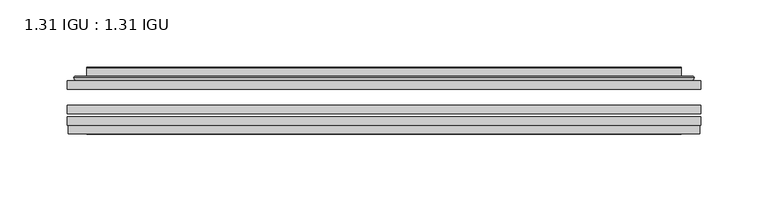
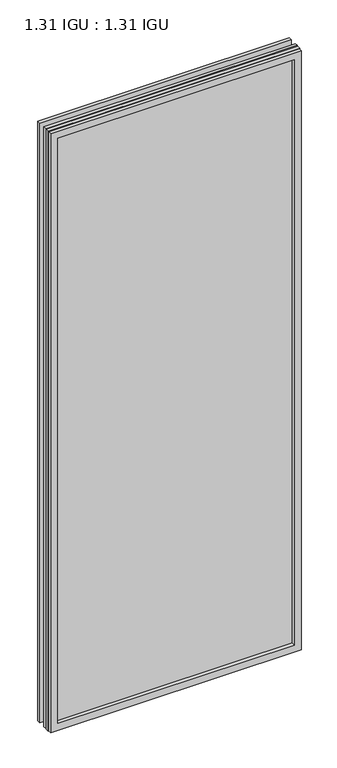
"""IFC4 building model written with IfcOpenShell, lengths in millimetres: plate geometry, 1.31 IGU : 1.31 IGU."""

from ifc_helpers import new_model, si_unit, frame, origin, place, context, project, spatial, polyline, ellipse_curve, outline, extrude, faceted_brep, source, transform, mapped, element, save
from ifc_brep_helpers import plane_surface, cylinder_surface, advanced_brep


def plate_1_31_igu_1_31_igu_ce48ff64(model_context):
    return source(origin(), model_context, "Body", "SolidModel", [
        extrude(outline(polyline([(234.964175, -63.59525), (234.964175, -69.94525), (-234.95, -69.94525), (-234.95, -63.59525), (234.964175, -63.59525)])), frame((0.0, 0.0, -14.2875), z_axis=(0.0, 0.0, 1.0), x_axis=(1.0, 0.0, 0.0)), (0.0, 0.0, 1.0), 1184.2787979),
        extrude(outline(polyline([(-234.95, -78.58125), (-234.95, -72.230745), (234.964175, -72.230745), (234.964175, -78.58125), (-234.95, -78.58125)])), frame((0.0, 0.0, -14.2875), z_axis=(0.0, 0.0, 1.0), x_axis=(1.0, 0.0, 0.0)), (0.0, 0.0, 1.0), 1184.2787979),
        extrude(outline(polyline([(234.964175, -45.25645), (234.964175, -51.60645), (-234.95, -51.60645), (-234.95, -45.25645), (234.964175, -45.25645)])), frame((0.0, 0.0, -14.2875), z_axis=(0.0, 0.0, 1.0), x_axis=(1.0, 0.0, 0.0)), (0.0, 0.0, 1.0), 1184.2787979),
        faceted_brep([(-234.2498142, -84.93125, 1169.2873142), (-234.2498142, -78.58125, 1169.2873142), (-234.2498142, -78.58125, -13.5873142), (-234.2498142, -84.93125, -13.5873142), (234.2498142, -78.58125, -13.5873142), (234.2498142, -84.93125, -13.5873142), (234.2498142, -78.58125, 1169.2873142), (234.2498142, -84.93125, 1169.2873142), (-219.7647559, -78.58125, 0.8977441), (219.7647559, -78.58125, 0.8977441), (219.7647559, -78.58125, 1154.8022559), (-219.7647559, -78.58125, 1154.8022559), (-220.6571902, -84.93125, 1155.6946902), (220.6571902, -84.93125, 1155.6946902), (220.6571902, -84.93125, 0.0053098), (-220.6571902, -84.93125, 0.0053098)], [[[0, 1, 2, 3]], [[3, 2, 4, 5]], [[5, 4, 6, 7]], [[1, 6, 4, 2], [8, 9, 10, 11]], [[7, 6, 1, 0]], [[3, 5, 7, 0], [12, 13, 14, 15]], [[11, 12, 15, 8]], [[8, 15, 14, 9]], [[9, 14, 13, 10]], [[10, 13, 12, 11]]]),
        advanced_brep(
        [(-227.708719, -45.25645, 1162.746219), (-230.0629244, -43.2667833, 1165.1004244), (-230.0629244, -43.2667833, -9.4004244), (-227.708719, -45.25645, -7.046219), (-218.6343939, -41.416413, 1153.6718939), (-213.6995621, -45.25645, 1148.7370621), (-213.6995621, -45.25645, 6.9629379), (-218.6343939, -41.416413, 2.0281061), (-219.6664217, -36.0191819, 1154.7039217), (-219.6664217, -36.0191819, 0.9960783), (-220.6570784, -35.6202069, 1155.6945784), (-220.6570784, -35.6202069, 0.0054216), (-220.6570784, -42.08145, 1155.6945784), (-220.6570784, -42.08145, 0.0054216), (-229.0611349, -42.08145, 1164.0986349), (-229.0611349, -42.08145, -8.3986349), (230.0629244, -43.2667833, -9.4004244), (227.708719, -45.25645, -7.046219), (213.6995621, -45.25645, 6.9629379), (218.6343939, -41.416413, 2.0281061), (219.6664217, -36.0191819, 0.9960783), (220.6570784, -35.6202069, 0.0054216), (220.6570784, -42.08145, 0.0054216), (229.0611349, -42.08145, -8.3986349), (230.0629244, -43.2667833, 1165.1004244), (227.708719, -45.25645, 1162.746219), (213.6995621, -45.25645, 1148.7370621), (218.6343939, -41.416413, 1153.6718939), (219.6664217, -36.0191819, 1154.7039217), (220.6570784, -35.6202069, 1155.6945784), (220.6570784, -42.08145, 1155.6945784), (229.0611349, -42.08145, 1164.0986349)],
        [
            (0, 1, ellipse_curve(frame((-227.708719, -42.86885, 1162.746219), z_axis=(-0.7071067811865475, 0.0, -0.7071067811865475), x_axis=(-0.7071067811865474, 0.0, 0.7071067811865476)), 3.3765763, 2.3876)),
            (1, 2),
            (2, 3, ellipse_curve(frame((-227.708719, -42.86885, -7.046219), z_axis=(-0.7071067811865475, 0.0, 0.7071067811865475), x_axis=(0.7071067811865474, 0.0, 0.7071067811865476)), 3.3765763, 2.3876)),
            (3, 0),
            (4, 5),
            (5, 6),
            (6, 7),
            (7, 4),
            (8, 4),
            (7, 9),
            (9, 8),
            (10, 8, ellipse_curve(frame((-220.2901219, -36.1384423, 1155.3276219), z_axis=(-0.7071067811865475, 0.0, -0.7071067811865475), x_axis=(-0.7071067811865474, 0.0, 0.7071067811865476)), 0.8980256, 0.635)),
            (9, 11, ellipse_curve(frame((-220.2901219, -36.1384423, 0.3723781), z_axis=(-0.7071067811865475, 0.0, 0.7071067811865475), x_axis=(0.7071067811865474, 0.0, 0.7071067811865476)), 0.8980256, 0.635)),
            (11, 10),
            (12, 10),
            (11, 13),
            (13, 12),
            (1, 14, ellipse_curve(frame((-229.0611349, -43.09745, 1164.0986349), z_axis=(-0.7071067811865475, 0.0, -0.7071067811865475), x_axis=(-0.7071067811865474, 0.0, 0.7071067811865476)), 1.436841, 1.016)),
            (14, 15),
            (15, 2, ellipse_curve(frame((-229.0611349, -43.09745, -8.3986349), z_axis=(-0.7071067811865475, 0.0, 0.7071067811865475), x_axis=(0.7071067811865474, 0.0, 0.7071067811865476)), 1.436841, 1.016)),
            (2, 16),
            (16, 17, ellipse_curve(frame((227.708719, -42.86885, -7.046219), z_axis=(-0.7071067811865475, 0.0, -0.7071067811865475), x_axis=(-0.7071067811865476, 0.0, 0.7071067811865474)), 3.3765763, 2.3876)),
            (17, 3),
            (6, 18),
            (18, 19),
            (19, 7),
            (19, 20),
            (20, 9),
            (20, 21, ellipse_curve(frame((220.2901219, -36.1384423, 0.3723781), z_axis=(-0.7071067811865475, 0.0, -0.7071067811865475), x_axis=(-0.7071067811865476, 0.0, 0.7071067811865474)), 0.8980256, 0.635)),
            (21, 11),
            (21, 22),
            (22, 13),
            (15, 23),
            (23, 16, ellipse_curve(frame((229.0611349, -43.09745, -8.3986349), z_axis=(-0.7071067811865475, 0.0, -0.7071067811865475), x_axis=(-0.7071067811865476, 0.0, 0.7071067811865474)), 1.436841, 1.016)),
            (16, 24),
            (24, 25, ellipse_curve(frame((227.708719, -42.86885, 1162.746219), z_axis=(0.7071067811865475, 0.0, -0.7071067811865475), x_axis=(-0.7071067811865474, 0.0, -0.7071067811865476)), 3.3765763, 2.3876)),
            (25, 17),
            (18, 26),
            (26, 27),
            (27, 19),
            (27, 28),
            (28, 20),
            (28, 29, ellipse_curve(frame((220.2901219, -36.1384423, 1155.3276219), z_axis=(0.7071067811865475, 0.0, -0.7071067811865475), x_axis=(-0.7071067811865474, 0.0, -0.7071067811865476)), 0.8980256, 0.635)),
            (29, 21),
            (29, 30),
            (30, 22),
            (23, 31),
            (31, 24, ellipse_curve(frame((229.0611349, -43.09745, 1164.0986349), z_axis=(0.7071067811865475, 0.0, -0.7071067811865475), x_axis=(-0.7071067811865474, 0.0, -0.7071067811865476)), 1.436841, 1.016)),
            (24, 1),
            (0, 25),
            (5, 26),
            (4, 27),
            (8, 28),
            (10, 29),
            (12, 30),
            (14, 31),
        ],
        [
            cylinder_surface(frame((-227.708719, -42.86885, 1187.45), z_axis=(0.0, 0.0, 1.0), x_axis=(-1.0, 0.0, 0.0)), 2.3876),
            plane_surface(frame((-213.6995621, -45.25645, 1148.7370621), z_axis=(0.6141233906514794, 0.7892100234124821, 0.0), x_axis=(0.0, 0.0, -1.0))),
            plane_surface(frame((-218.6343939, -41.416413, 1153.6718939), z_axis=(0.9822050625507729, 0.18781164793386076, 0.0), x_axis=(0.0, 0.0, -1.0))),
            cylinder_surface(frame((-220.2901219, -36.1384423, 1187.45), z_axis=(0.0, 0.0, 1.0), x_axis=(-1.0, 0.0, 0.0)), 0.635),
            plane_surface(frame((-220.6570784, -35.6202069, 1155.6945784), z_axis=(-1.0, 0.0, 0.0), x_axis=(0.0, 0.0, -1.0))),
            cylinder_surface(frame((-229.0611349, -43.09745, 1187.45), z_axis=(0.0, 0.0, 1.0), x_axis=(-1.0, 0.0, 0.0)), 1.016),
            cylinder_surface(frame((-252.4125, -42.86885, -7.046219), z_axis=(-1.0, 0.0, 0.0), x_axis=(0.0, 0.0, -1.0)), 2.3876),
            plane_surface(frame((-213.6995621, -45.25645, 6.9629379), z_axis=(0.0, 0.7892100234124841, 0.6141233906514768), x_axis=(1.0, 0.0, 0.0))),
            plane_surface(frame((-218.6343939, -41.416413, 2.0281061), z_axis=(0.0, 0.18781164793386393, 0.9822050625507723), x_axis=(1.0, 0.0, 0.0))),
            cylinder_surface(frame((-252.4125, -36.1384423, 0.3723781), z_axis=(-1.0, 0.0, 0.0), x_axis=(0.0, 0.0, -1.0)), 0.635),
            plane_surface(frame((-220.6570784, -35.6202069, 0.0054216), z_axis=(0.0, 0.0, -1.0), x_axis=(1.0, 0.0, 0.0))),
            cylinder_surface(frame((-252.4125, -43.09745, -8.3986349), z_axis=(-1.0, 0.0, 0.0), x_axis=(0.0, 0.0, -1.0)), 1.016),
            cylinder_surface(frame((227.708719, -42.86885, -31.75), z_axis=(0.0, 0.0, -1.0), x_axis=(1.0, 0.0, 0.0)), 2.3876),
            plane_surface(frame((213.6995621, -45.25645, 6.9629379), z_axis=(-0.6141233906514743, 0.7892100234124861, 0.0), x_axis=(0.0, 0.0, 1.0))),
            plane_surface(frame((218.6343939, -41.416413, 2.0281061), z_axis=(-0.9822050625507718, 0.1878116479338671, 0.0), x_axis=(0.0, 0.0, 1.0))),
            cylinder_surface(frame((220.2901219, -36.1384423, -31.75), z_axis=(0.0, 0.0, -1.0), x_axis=(1.0, 0.0, 0.0)), 0.635),
            plane_surface(frame((220.6570784, -35.6202069, 0.0054216), z_axis=(1.0, 0.0, 0.0), x_axis=(0.0, 0.0, 1.0))),
            cylinder_surface(frame((229.0611349, -43.09745, -31.75), z_axis=(0.0, 0.0, -1.0), x_axis=(1.0, 0.0, 0.0)), 1.016),
            cylinder_surface(frame((252.4125, -42.86885, 1162.746219), z_axis=(1.0, 0.0, 0.0), x_axis=(0.0, 0.0, 1.0)), 2.3876),
            plane_surface(frame((227.708719, -45.25645, 1162.746219), z_axis=(0.0, -1.0, 0.0), x_axis=(-1.0, 0.0, 0.0))),
            plane_surface(frame((213.6995621, -45.25645, 1148.7370621), z_axis=(0.0, 0.7892100234124841, -0.6141233906514768), x_axis=(-1.0, 0.0, 0.0))),
            plane_surface(frame((218.6343939, -41.416413, 1153.6718939), z_axis=(0.0, 0.18781164793386393, -0.9822050625507723), x_axis=(-1.0, 0.0, 0.0))),
            cylinder_surface(frame((252.4125, -36.1384423, 1155.3276219), z_axis=(1.0, 0.0, 0.0), x_axis=(0.0, 0.0, 1.0)), 0.635),
            plane_surface(frame((220.6570784, -35.6202069, 1155.6945784), z_axis=(0.0, 0.0, 1.0), x_axis=(-1.0, 0.0, 0.0))),
            plane_surface(frame((220.6570784, -42.08145, 1155.6945784), z_axis=(0.0, 1.0, 0.0), x_axis=(-1.0, 0.0, 0.0))),
            cylinder_surface(frame((252.4125, -43.09745, 1164.0986349), z_axis=(1.0, 0.0, 0.0), x_axis=(0.0, 0.0, 1.0)), 1.016),
        ],
        [
            (0, [[1, 2, 3, 4]]),
            (1, [[5, 6, 7, 8]]),
            (2, [[9, -8, 10, 11]]),
            (3, [[12, -11, 13, 14]]),
            (4, [[15, -14, 16, 17]]),
            (5, [[18, 19, 20, -2]]),
            (6, [[-3, 21, 22, 23]]),
            (7, [[-7, 24, 25, 26]]),
            (8, [[-10, -26, 27, 28]]),
            (9, [[-13, -28, 29, 30]]),
            (10, [[-16, -30, 31, 32]]),
            (11, [[-20, 33, 34, -21]]),
            (12, [[-22, 35, 36, 37]]),
            (13, [[-25, 38, 39, 40]]),
            (14, [[-27, -40, 41, 42]]),
            (15, [[-29, -42, 43, 44]]),
            (16, [[-31, -44, 45, 46]]),
            (17, [[-34, 47, 48, -35]]),
            (18, [[-36, 49, -1, 50]]),
            (19, [[-23, -37, -50, -4], [51, -38, -24, -6]]),
            (20, [[-39, -51, -5, 52]]),
            (21, [[-41, -52, -9, 53]]),
            (22, [[-43, -53, -12, 54]]),
            (23, [[-45, -54, -15, 55]]),
            (24, [[56, -47, -33, -19], [-32, -46, -55, -17]]),
            (25, [[-48, -56, -18, -49]]),
        ],
    ),
    ])


if __name__ == "__main__":
    model = new_model("IFC4")
    model_context = context("Model", 3, world=origin())
    ifc_project = project(units=[si_unit("LENGTHUNIT", "METRE", prefix="MILLI")], contexts=[model_context])
    site = spatial("IfcSite", under=ifc_project)
    building = spatial("IfcBuilding", under=site)
    placement = place(None, origin())
    plate_1_31_igu_1_31_igu_shape = plate_1_31_igu_1_31_igu_ce48ff64(model_context)
    element("IfcPlate", 1, ObjectType="1.31 IGU : 1.31 IGU", at=placement, inside=building, context=model_context, shape_type="MappedRepresentation", body=[
        mapped(plate_1_31_igu_1_31_igu_shape, transform((0.0, 0.0, 0.0), x_axis=(1.0, 0.0, 0.0), y_axis=(0.0, 1.0, 0.0), z_axis=(0.0, 0.0, 1.0))),
    ])
    save(model, "model.ifc")
